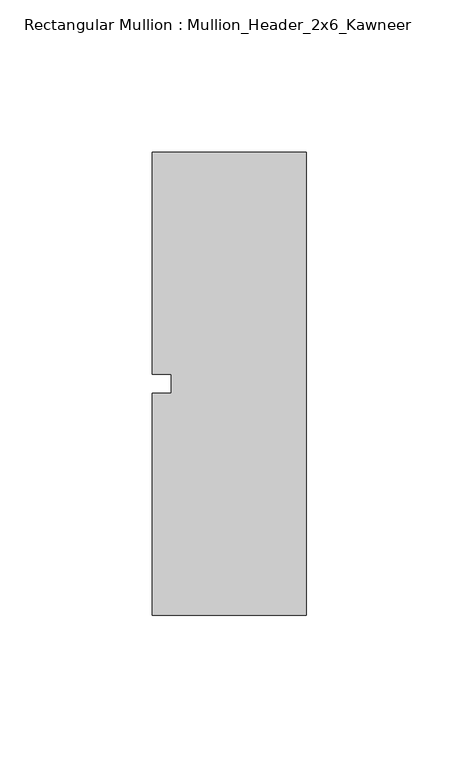
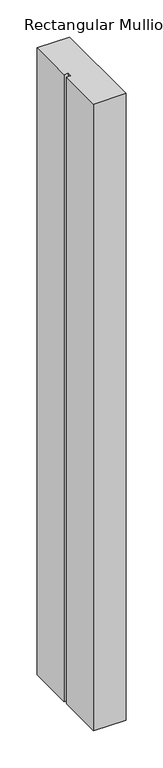
"""IFC4 building model written with IfcOpenShell, lengths in millimetres: member geometry, Rectangular Mullion : Mullion_Header_2x6_Kawneer."""

from ifc_helpers import new_model, si_unit, frame, origin, place, context, project, spatial, polyline, outline, extrude, source, transform, mapped, element, save


def rectangular_mullion_mullion_header_2x6_kawneer_74f786f2(model_context):
    return source(origin(), model_context, "Body", "SweptSolid", [
        extrude(outline(polyline([(-50.8, 76.2), (0.0, 76.2), (0.0, -76.2), (-50.8, -76.2), (-50.8, -3.175), (-44.45, -3.175), (-44.45, 3.175), (-50.8, 3.175), (-50.8, 76.2)])), frame((0.0, 0.0, -1031.24), z_axis=(0.0, 0.0, 1.0), x_axis=(1.0, 0.0, 0.0)), (0.0, 0.0, 1.0), 1031.24),
    ])


if __name__ == "__main__":
    model = new_model("IFC4")
    model_context = context("Model", 3, world=origin())
    ifc_project = project(units=[si_unit("LENGTHUNIT", "METRE", prefix="MILLI")], contexts=[model_context])
    site = spatial("IfcSite", under=ifc_project)
    building = spatial("IfcBuilding", under=site)
    placement = place(None, origin())
    rectangular_mullion_mullion_header_2x6_kawneer_shape = rectangular_mullion_mullion_header_2x6_kawneer_74f786f2(model_context)
    element("IfcMember", 1, ObjectType="Rectangular Mullion : Mullion_Header_2x6_Kawneer", at=placement, inside=building, context=model_context, shape_type="MappedRepresentation", body=[
        mapped(rectangular_mullion_mullion_header_2x6_kawneer_shape, transform((0.0, 0.0, 0.0), x_axis=(1.0, 0.0, 0.0), y_axis=(0.0, 1.0, 0.0), z_axis=(0.0, 0.0, 1.0))),
    ])
    save(model, "model.ifc")
